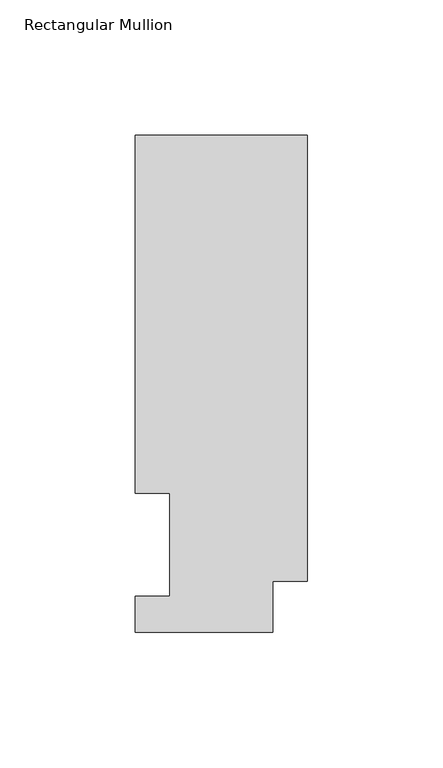
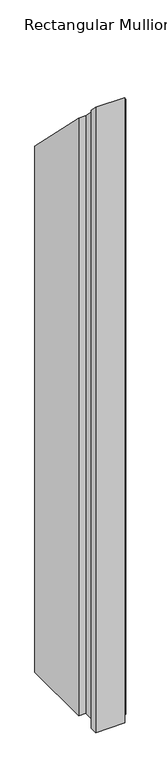
"""IFC4 building model written with IfcOpenShell, lengths in millimetres: member geometry, Rectangular Mullion."""

from ifc_helpers import new_model, si_unit, origin, place, context, project, spatial, faceted_brep, source, transform, mapped, element, save


def rectangular_mullion_bcaa8d20(model_context):
    return source(origin(), model_context, "Body", "Brep", [
        faceted_brep([(0.0, 183.4446737, -1155.7), (0.0, 18.7332937, -1155.7), (-12.7, 18.7332937, -1155.7), (-12.7, 0.0134937, -1155.7), (-63.5, 0.0134937, -1155.7), (-63.5, 13.1960937, -1155.7), (-50.8, 13.1960937, -1155.7), (-50.8, 51.2960937, -1155.7), (-63.5, 51.2960938, -1155.7), (-63.5, 183.4446737, -1155.7), (-63.5, 183.4446737, -183.4446737), (0.0, 183.4446737, -183.4446737), (-50.8, 51.2960937, -51.2960938), (-63.5, 51.2960938, -51.2960938), (-50.8, 13.1960937, -13.1960937), (-63.5, 13.1960937, -13.1960937), (-63.5, 0.0134937, -0.0134937), (-12.7, 18.7332937, -18.7332937), (-12.7, 0.0134937, -0.0134937), (0.0, 18.7332937, -18.7332937)], [[[0, 1, 2, 3, 4, 5, 6, 7, 8, 9]], [[10, 11, 0, 9]], [[12, 13, 8, 7]], [[14, 12, 7, 6]], [[15, 14, 6, 5]], [[16, 15, 5, 4]], [[17, 18, 3, 2]], [[18, 16, 4, 3]], [[19, 17, 2, 1]], [[11, 19, 1, 0]], [[11, 10, 13, 12, 14, 15, 16, 18, 17, 19]], [[13, 10, 9, 8]]]),
    ])


if __name__ == "__main__":
    model = new_model("IFC4")
    model_context = context("Model", 3, world=origin())
    ifc_project = project(units=[si_unit("LENGTHUNIT", "METRE", prefix="MILLI")], contexts=[model_context])
    site = spatial("IfcSite", under=ifc_project)
    building = spatial("IfcBuilding", under=site)
    placement = place(None, origin())
    rectangular_mullion_shape = rectangular_mullion_bcaa8d20(model_context)
    element("IfcMember", 1, ObjectType="Rectangular Mullion", at=placement, inside=building, context=model_context, shape_type="MappedRepresentation", body=[
        mapped(rectangular_mullion_shape, transform((0.0, 0.0, 0.0), x_axis=(1.0, 0.0, 0.0), y_axis=(0.0, 1.0, 0.0), z_axis=(0.0, 0.0, 1.0))),
    ])
    save(model, "model.ifc")
